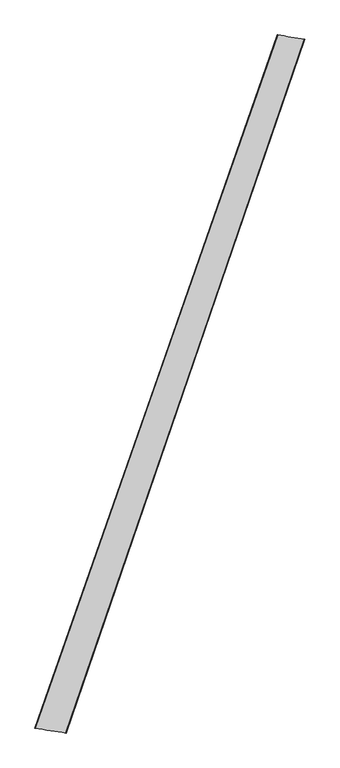
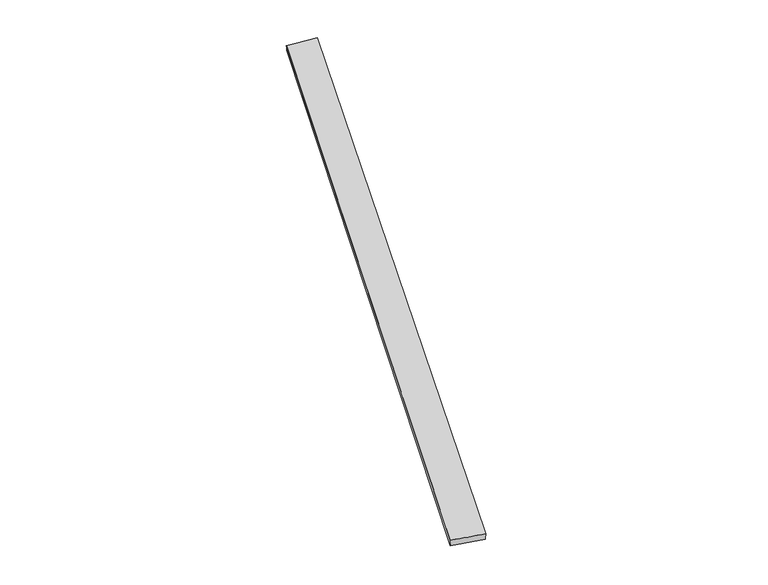
"""IFC4 building model written with IfcOpenShell, lengths in millimetres: proxy geometry."""

from ifc_helpers import new_model, si_unit, origin, place, context, project, spatial, source, transform, mapped, element, save
from ifc_brep_helpers import spline_surface, advanced_brep


def generic_models_1375068a(model_context):
    return source(origin(), model_context, "Body", "AdvancedBrep", [
        advanced_brep(
        [(-677.5047449, -1716.3453538, 3.6391793), (-676.6740737, -1716.5751731, 33.6267962), (664.9344323, 2122.4309437, 25.6667057), (667.5168069, 2121.4648411, -4.2063254), (-504.354774, -1743.9085316, 26.3117923), (815.2925356, 2098.3397751, 34.1987623), (-505.9566918, -1743.2961217, -3.6391478), (815.9446299, 2098.1766345, 4.206294)],
        [
            (0, 1),
            (1, 2),
            (2, 3),
            (3, 0),
            (1, 4),
            (4, 5),
            (5, 2),
            (4, 6),
            (6, 7),
            (7, 5),
            (6, 0),
            (3, 7),
        ],
        [
            spline_surface(1, 1, [[(-677.5047449, -1716.3453538, 3.6391793), (667.5168069, 2121.4648411, -4.2063254)], [(-676.6740737, -1716.5751731, 33.6267962), (664.9344323, 2122.4309437, 25.6667057)]], [2, 2], [2, 2], [0.0, 1.0], [0.0, 1.0]),
            spline_surface(1, 1, [[(-676.6740737, -1716.5751731, 33.6267962), (664.9344323, 2122.4309437, 25.6667057)], [(-504.354774, -1743.9085316, 26.3117923), (815.2925356, 2098.3397751, 34.1987623)]], [2, 2], [2, 2], [0.0, 1.0], [0.0, 1.0]),
            spline_surface(1, 1, [[(-504.354774, -1743.9085316, 26.3117923), (815.2925356, 2098.3397751, 34.1987623)], [(-505.9566918, -1743.2961217, -3.6391478), (815.9446299, 2098.1766345, 4.206294)]], [2, 2], [2, 2], [0.0, 1.0], [0.0, 1.0]),
            spline_surface(1, 1, [[(-505.9566918, -1743.2961217, -3.6391478), (815.9446299, 2098.1766345, 4.206294)], [(-677.5047449, -1716.3453538, 3.6391793), (667.5168069, 2121.4648411, -4.2063254)]], [2, 2], [2, 2], [0.0, 1.0], [0.0, 1.0]),
            spline_surface(1, 1, [[(664.9344323, 2122.4309437, 25.6667057), (667.5168069, 2121.4648411, -4.2063254)], [(815.2925356, 2098.3397751, 34.1987623), (815.9446299, 2098.1766345, 4.206294)]], [2, 2], [2, 2], [0.0, 1.0], [0.0, 1.0]),
            spline_surface(1, 1, [[(-505.9566918, -1743.2961217, -3.6391478), (-677.5047449, -1716.3453538, 3.6391793)], [(-504.354774, -1743.9085316, 26.3117923), (-676.6740737, -1716.5751731, 33.6267962)]], [2, 2], [2, 2], [0.0, 1.0], [0.0, 1.0]),
        ],
        [
            (0, [[1, 2, 3, 4]]),
            (1, [[5, 6, 7, -2]]),
            (2, [[8, 9, 10, -6]]),
            (3, [[11, -4, 12, -9]]),
            (4, [[-3, -7, -10, -12]]),
            (5, [[-11, -8, -5, -1]]),
        ],
    ),
    ])


if __name__ == "__main__":
    model = new_model("IFC4")
    model_context = context("Model", 3, world=origin())
    ifc_project = project(units=[si_unit("LENGTHUNIT", "METRE", prefix="MILLI")], contexts=[model_context])
    site = spatial("IfcSite", under=ifc_project)
    building = spatial("IfcBuilding", under=site)
    placement = place(None, origin())
    generic_models_shape = generic_models_1375068a(model_context)
    element("IfcBuildingElementProxy", 1, Name="Generic Models", at=placement, inside=building, context=model_context, shape_type="MappedRepresentation", body=[
        mapped(generic_models_shape, transform((0.0, 0.0, 0.0), x_axis=(1.0, 0.0, 0.0), y_axis=(0.0, 1.0, 0.0), z_axis=(0.0, 0.0, 1.0))),
    ])
    save(model, "model.ifc")
